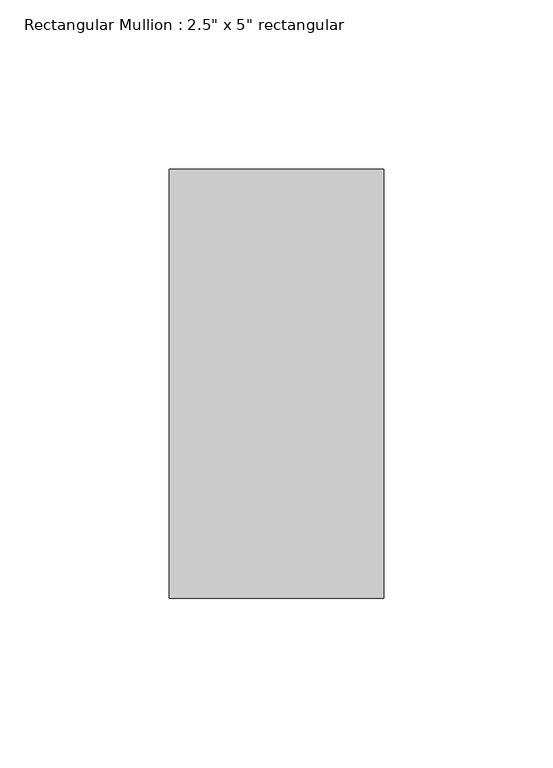
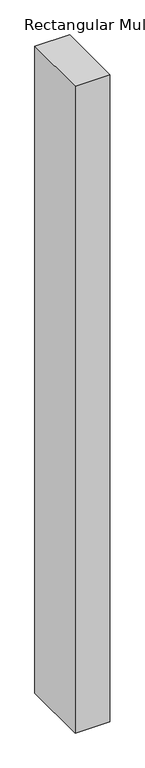
"""IFC4 building model written with IfcOpenShell, lengths in millimetres: member geometry."""

from ifc_helpers import new_model, si_unit, frame, origin, place, context, project, spatial, polyline, outline, extrude, source, transform, mapped, element, save


def member_56d025d8(model_context):
    return source(origin(), model_context, "Body", "SweptSolid", [
        extrude(outline(polyline([(0.0, 63.5), (0.0, -63.5), (-63.5, -63.5), (-63.5, 63.5), (0.0, 63.5)])), frame((0.0, 0.0, -1250.3445452), z_axis=(0.0, 0.0, 1.0), x_axis=(1.0, 0.0, 0.0)), (0.0, 0.0, 1.0), 1250.3445452),
    ])


if __name__ == "__main__":
    model = new_model("IFC4")
    model_context = context("Model", 3, world=origin())
    ifc_project = project(units=[si_unit("LENGTHUNIT", "METRE", prefix="MILLI")], contexts=[model_context])
    site = spatial("IfcSite", under=ifc_project)
    building = spatial("IfcBuilding", under=site)
    placement = place(None, origin())
    member_shape = member_56d025d8(model_context)
    element("IfcMember", 1, ObjectType="Rectangular Mullion : 2.5\" x 5\" rectangular", at=placement, inside=building, context=model_context, shape_type="MappedRepresentation", body=[
        mapped(member_shape, transform((0.0, 0.0, 0.0), x_axis=(1.0, 0.0, 0.0), y_axis=(0.0, 1.0, 0.0), z_axis=(0.0, 0.0, 1.0))),
    ])
    save(model, "model.ifc")
